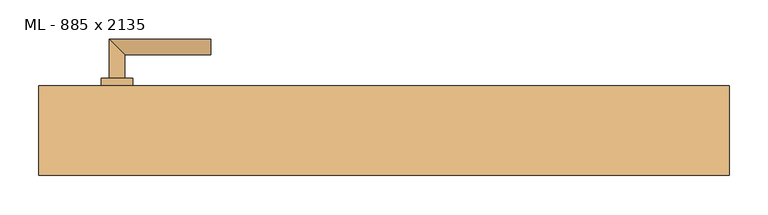
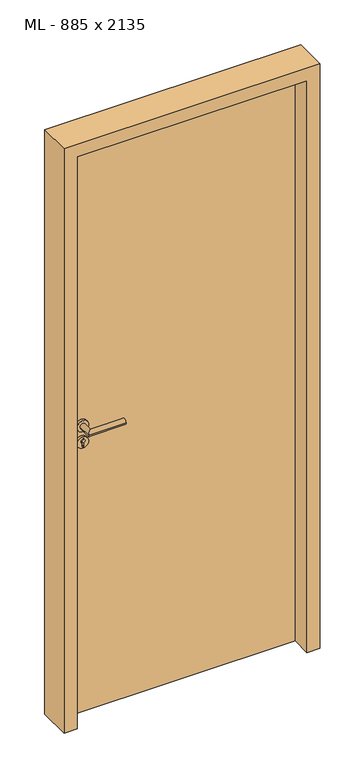
"""IFC4 building model written with IfcOpenShell, lengths in millimetres: door geometry, ML - 885 x 2135."""

from ifc_helpers import new_model, si_unit, point, frame, frame_2d, origin, origin_with_axes, place, context, project, spatial, polyline, circle_curve, ellipse_curve, trimmed, segment, composite_curve, outline, extrude, faceted_brep, source, transform, mapped, element, save
from ifc_brep_helpers import plane_surface, cylinder_surface, advanced_brep


def ml_885_x_2135_49e1aabb(model_context):
    return source(origin(), model_context, "Body", "SolidModel", [
        extrude(outline(polyline([(408.5, 57.5), (408.5, 12.5), (-408.5, 12.5), (-408.5, 57.5), (408.5, 57.5)])), origin_with_axes(), (0.0, 0.0, 1.0), 2101.0),
        advanced_brep(
        [(-332.5, 67.5, 1050.0), (-352.5, 67.5, 1050.0), (-332.5, 97.5, 1050.0), (-352.5, 117.5, 1050.0), (-222.5, 97.5, 1050.0), (-222.5, 117.5, 1050.0)],
        [
            (0, 1, circle_curve(frame((-342.5, 67.5, 1050.0), z_axis=(0.0, -1.0, 0.0), x_axis=(-1.0, 0.0, 0.0)), 10.0)),
            (1, 0, circle_curve(frame((-342.5, 67.5, 1050.0), z_axis=(0.0, -1.0, 0.0), x_axis=(-1.0, 0.0, 0.0)), 10.0)),
            (0, 2),
            (2, 3, ellipse_curve(frame((-342.5, 107.5, 1050.0), z_axis=(-0.7071067811865531, -0.7071067811865419, 0.0), x_axis=(0.707106781186542, -0.707106781186553, 0.0)), 14.1421356, 10.0)),
            (3, 1),
            (3, 2, ellipse_curve(frame((-342.5, 107.5, 1050.0), z_axis=(-0.7071067811865531, -0.7071067811865419, 0.0), x_axis=(0.707106781186542, -0.707106781186553, 0.0)), 14.1421356, 10.0)),
            (4, 5, circle_curve(frame((-222.5, 107.5, 1050.0), z_axis=(1.0, 0.0, 0.0), x_axis=(0.0, 1.0, 0.0)), 10.0)),
            (5, 4, circle_curve(frame((-222.5, 107.5, 1050.0), z_axis=(1.0, 0.0, 0.0), x_axis=(0.0, 1.0, 0.0)), 10.0)),
            (2, 4),
            (5, 3),
        ],
        [
            plane_surface(frame((-342.5, 67.5, 1050.0), z_axis=(0.0, -1.0, 0.0), x_axis=(0.0, 0.0, 1.0))),
            cylinder_surface(frame((-342.5, 67.5, 1050.0), z_axis=(0.0, -1.0, 0.0), x_axis=(-1.0, 0.0, 0.0)), 10.0),
            plane_surface(frame((-222.5, 107.5, 1050.0), z_axis=(1.0, 0.0, 0.0), x_axis=(0.0, 0.0, 1.0))),
            cylinder_surface(frame((-342.5, 107.5, 1050.0), z_axis=(-1.0, 0.0, 0.0), x_axis=(0.0, 1.0, 0.0)), 10.0),
        ],
        [
            (0, [[1, 2]]),
            (1, [[-1, 3, 4, 5]]),
            (1, [[-2, -5, 6, -3]]),
            (2, [[7, 8]]),
            (3, [[-4, 9, -8, 10]]),
            (3, [[-6, -10, -7, -9]]),
        ],
    ),
        extrude(outline(composite_curve([segment(trimmed(circle_curve(frame_2d((990.0, -342.5)), 20.0), [point((990.0, -362.5))], [point((990.0, -322.5))], False, "CARTESIAN"), True, "CONTINUOUS"), segment(trimmed(circle_curve(frame_2d((990.0, -342.5)), 20.0), [point((990.0, -322.5))], [point((990.0, -362.5))], False, "CARTESIAN"), True, "CONTINUOUS")], self_intersect=False), holes=[composite_curve([segment(polyline([(976.4601385, -344.897268), (988.4749012, -344.897268)]), True, "CONTINUOUS"), segment(trimmed(circle_curve(frame_2d((995.0361633, -342.5)), 6.9854888), [point((988.4749012, -344.897268))], [point((988.4749012, -340.102732))], True, "CARTESIAN"), True, "CONTINUOUS"), segment(polyline([(988.4749012, -340.102732), (976.4601385, -340.102732)]), True, "CONTINUOUS"), segment(trimmed(circle_curve(frame_2d((976.4601385, -342.5)), 2.397268), [point((976.4601385, -340.102732))], [point((976.4601385, -344.897268))], True, "CARTESIAN"), True, "CONTINUOUS")], self_intersect=False)]), frame((0.0, 57.5, 0.0), z_axis=(0.0, 1.0, 0.0), x_axis=(0.0, 0.0, 1.0)), (0.0, 0.0, 1.0), 10.0),
        advanced_brep(
        [(-332.5, 67.5, 1050.0), (-352.5, 67.5, 1050.0), (-332.5, 97.5, 1050.0), (-352.5, 117.5, 1050.0), (-222.5, 97.5, 1050.0), (-222.5, 117.5, 1050.0)],
        [
            (0, 1, circle_curve(frame((-342.5, 67.5, 1050.0), z_axis=(0.0, -1.0, 0.0), x_axis=(-1.0, 0.0, 0.0)), 10.0)),
            (1, 0, circle_curve(frame((-342.5, 67.5, 1050.0), z_axis=(0.0, -1.0, 0.0), x_axis=(-1.0, 0.0, 0.0)), 10.0)),
            (0, 2),
            (2, 3, ellipse_curve(frame((-342.5, 107.5, 1050.0), z_axis=(-0.7071067811865537, -0.7071067811865414, 0.0), x_axis=(0.7071067811865414, -0.7071067811865536, 0.0)), 14.1421356, 10.0)),
            (3, 1),
            (3, 2, ellipse_curve(frame((-342.5, 107.5, 1050.0), z_axis=(-0.7071067811865537, -0.7071067811865414, 0.0), x_axis=(0.7071067811865414, -0.7071067811865536, 0.0)), 14.1421356, 10.0)),
            (4, 5, circle_curve(frame((-222.5, 107.5, 1050.0), z_axis=(1.0, 0.0, 0.0), x_axis=(0.0, 1.0, 0.0)), 10.0)),
            (5, 4, circle_curve(frame((-222.5, 107.5, 1050.0), z_axis=(1.0, 0.0, 0.0), x_axis=(0.0, 1.0, 0.0)), 10.0)),
            (2, 4),
            (5, 3),
        ],
        [
            plane_surface(frame((-342.5, 67.5, 1050.0), z_axis=(0.0, -1.0, 0.0), x_axis=(0.0, 0.0, 1.0))),
            cylinder_surface(frame((-342.5, 67.5, 1050.0), z_axis=(0.0, -1.0, 0.0), x_axis=(-1.0, 0.0, 0.0)), 10.0),
            plane_surface(frame((-222.5, 107.5, 1050.0), z_axis=(1.0, 0.0, 0.0), x_axis=(0.0, 0.0, 1.0))),
            cylinder_surface(frame((-342.5, 107.5, 1050.0), z_axis=(-1.0, 0.0, 0.0), x_axis=(0.0, 1.0, 0.0)), 10.0),
        ],
        [
            (0, [[1, 2]]),
            (1, [[-1, 3, 4, 5]]),
            (1, [[-2, -5, 6, -3]]),
            (2, [[7, 8]]),
            (3, [[-4, 9, -8, 10]]),
            (3, [[-6, -10, -7, -9]]),
        ],
    ),
        extrude(outline(composite_curve([segment(trimmed(circle_curve(frame_2d((1050.0, -342.5)), 20.0), [point((1050.0, -362.5))], [point((1050.0, -322.5))], False, "CARTESIAN"), True, "CONTINUOUS"), segment(trimmed(circle_curve(frame_2d((1050.0, -342.5)), 20.0), [point((1050.0, -322.5))], [point((1050.0, -362.5))], False, "CARTESIAN"), True, "CONTINUOUS")], self_intersect=False)), frame((0.0, 57.5, 0.0), z_axis=(0.0, 1.0, 0.0), x_axis=(0.0, 0.0, 1.0)), (0.0, 0.0, 1.0), 10.0),
        advanced_brep(
        [(-332.5, 2.5, 1050.0), (-352.5, 2.5, 1050.0), (-352.5, -47.5, 1050.0), (-332.5, -27.5, 1050.0), (-222.5, -27.5, 1050.0), (-222.5, -47.5, 1050.0)],
        [
            (0, 1, circle_curve(frame((-342.5, 2.5, 1050.0), z_axis=(0.0, 1.0, 0.0), x_axis=(-1.0, 0.0, 0.0)), 10.0)),
            (1, 0, circle_curve(frame((-342.5, 2.5, 1050.0), z_axis=(0.0, 1.0, 0.0), x_axis=(-1.0, 0.0, 0.0)), 10.0)),
            (1, 2),
            (2, 3, ellipse_curve(frame((-342.5, -37.5, 1050.0), z_axis=(-0.7071067811865486, 0.7071067811865464, 0.0), x_axis=(0.7071067811865464, 0.7071067811865488, 0.0)), 14.1421356, 10.0)),
            (3, 0),
            (3, 2, ellipse_curve(frame((-342.5, -37.5, 1050.0), z_axis=(-0.7071067811865486, 0.7071067811865464, 0.0), x_axis=(0.7071067811865464, 0.7071067811865488, 0.0)), 14.1421356, 10.0)),
            (4, 5, circle_curve(frame((-222.5, -37.5, 1050.0), z_axis=(1.0, 0.0, 0.0), x_axis=(0.0, -1.0, 0.0)), 10.0)),
            (5, 4, circle_curve(frame((-222.5, -37.5, 1050.0), z_axis=(1.0, 0.0, 0.0), x_axis=(0.0, -1.0, 0.0)), 10.0)),
            (2, 5),
            (4, 3),
        ],
        [
            plane_surface(frame((-342.5, 2.5, 1050.0), z_axis=(0.0, 1.0, 0.0), x_axis=(0.0, 0.0, 1.0))),
            cylinder_surface(frame((-342.5, 2.5, 1050.0), z_axis=(0.0, 1.0, 0.0), x_axis=(-1.0, 0.0, 0.0)), 10.0),
            plane_surface(frame((-222.5, -37.5, 1050.0), z_axis=(1.0, 0.0, 0.0), x_axis=(0.0, 0.0, 1.0))),
            cylinder_surface(frame((-342.5, -37.5, 1050.0), z_axis=(-1.0, 0.0, 0.0), x_axis=(0.0, -1.0, 0.0)), 10.0),
        ],
        [
            (0, [[1, 2]]),
            (1, [[3, 4, 5, -2]]),
            (1, [[-5, 6, -3, -1]]),
            (2, [[7, 8]]),
            (3, [[9, -7, 10, -4]]),
            (3, [[-10, -8, -9, -6]]),
        ],
    ),
        extrude(outline(composite_curve([segment(trimmed(circle_curve(frame_2d((990.0, -342.5)), 20.0), [point((990.0, -362.5))], [point((990.0, -322.5))], False, "CARTESIAN"), True, "CONTINUOUS"), segment(trimmed(circle_curve(frame_2d((990.0, -342.5)), 20.0), [point((990.0, -322.5))], [point((990.0, -362.5))], False, "CARTESIAN"), True, "CONTINUOUS")], self_intersect=False), holes=[composite_curve([segment(polyline([(976.4601385, -344.897268), (988.4749012, -344.897268)]), True, "CONTINUOUS"), segment(trimmed(circle_curve(frame_2d((995.0361633, -342.5)), 6.9854888), [point((988.4749012, -344.897268))], [point((988.4749012, -340.102732))], True, "CARTESIAN"), True, "CONTINUOUS"), segment(polyline([(988.4749012, -340.102732), (976.4601385, -340.102732)]), True, "CONTINUOUS"), segment(trimmed(circle_curve(frame_2d((976.4601385, -342.5)), 2.397268), [point((976.4601385, -340.102732))], [point((976.4601385, -344.897268))], True, "CARTESIAN"), True, "CONTINUOUS")], self_intersect=False)]), frame((0.0, 2.5, 0.0), z_axis=(0.0, 1.0, 0.0), x_axis=(0.0, 0.0, 1.0)), (0.0, 0.0, 1.0), 10.0),
        advanced_brep(
        [(-332.5, 2.5, 1050.0), (-352.5, 2.5, 1050.0), (-352.5, -47.5, 1050.0), (-332.5, -27.5, 1050.0), (-222.5, -27.5, 1050.0), (-222.5, -47.5, 1050.0)],
        [
            (0, 1, circle_curve(frame((-342.5, 2.5, 1050.0), z_axis=(0.0, 1.0, 0.0), x_axis=(-1.0, 0.0, 0.0)), 10.0)),
            (1, 0, circle_curve(frame((-342.5, 2.5, 1050.0), z_axis=(0.0, 1.0, 0.0), x_axis=(-1.0, 0.0, 0.0)), 10.0)),
            (1, 2),
            (2, 3, ellipse_curve(frame((-342.5, -37.5, 1050.0), z_axis=(-0.7071067811865491, 0.7071067811865459, 0.0), x_axis=(0.7071067811865458, 0.7071067811865492, 0.0)), 14.1421356, 10.0)),
            (3, 0),
            (3, 2, ellipse_curve(frame((-342.5, -37.5, 1050.0), z_axis=(-0.7071067811865491, 0.7071067811865459, 0.0), x_axis=(0.7071067811865458, 0.7071067811865492, 0.0)), 14.1421356, 10.0)),
            (4, 5, circle_curve(frame((-222.5, -37.5, 1050.0), z_axis=(1.0, 0.0, 0.0), x_axis=(0.0, -1.0, 0.0)), 10.0)),
            (5, 4, circle_curve(frame((-222.5, -37.5, 1050.0), z_axis=(1.0, 0.0, 0.0), x_axis=(0.0, -1.0, 0.0)), 10.0)),
            (2, 5),
            (4, 3),
        ],
        [
            plane_surface(frame((-342.5, 2.5, 1050.0), z_axis=(0.0, 1.0, 0.0), x_axis=(0.0, 0.0, 1.0))),
            cylinder_surface(frame((-342.5, 2.5, 1050.0), z_axis=(0.0, 1.0, 0.0), x_axis=(-1.0, 0.0, 0.0)), 10.0),
            plane_surface(frame((-222.5, -37.5, 1050.0), z_axis=(1.0, 0.0, 0.0), x_axis=(0.0, 0.0, 1.0))),
            cylinder_surface(frame((-342.5, -37.5, 1050.0), z_axis=(-1.0, 0.0, 0.0), x_axis=(0.0, -1.0, 0.0)), 10.0),
        ],
        [
            (0, [[1, 2]]),
            (1, [[3, 4, 5, -2]]),
            (1, [[-5, 6, -3, -1]]),
            (2, [[7, 8]]),
            (3, [[9, -7, 10, -4]]),
            (3, [[-10, -8, -9, -6]]),
        ],
    ),
        extrude(outline(composite_curve([segment(trimmed(circle_curve(frame_2d((1050.0, -342.5)), 20.0), [point((1050.0, -362.5))], [point((1050.0, -322.5))], False, "CARTESIAN"), True, "CONTINUOUS"), segment(trimmed(circle_curve(frame_2d((1050.0, -342.5)), 20.0), [point((1050.0, -322.5))], [point((1050.0, -362.5))], False, "CARTESIAN"), True, "CONTINUOUS")], self_intersect=False)), frame((0.0, 2.5, 0.0), z_axis=(0.0, 1.0, 0.0), x_axis=(0.0, 0.0, 1.0)), (0.0, 0.0, 1.0), 10.0),
        faceted_brep([(-412.5, 57.5, 0.0), (-412.5, 12.5, 0.0), (-397.5, 12.5, 0.0), (-397.5, -57.5, 0.0), (-442.5, -57.5, 0.0), (-442.5, 57.5, 0.0), (-412.5, 57.5, 2105.0), (-412.5, 12.5, 2105.0), (412.5, 12.5, 2105.0), (412.5, 12.5, 0.0), (397.5, 12.5, 0.0), (397.5, 12.5, 2090.0), (-397.5, 12.5, 2090.0), (-397.5, -57.5, 2090.0), (397.5, -57.5, 2090.0), (397.5, -57.5, 0.0), (442.5, -57.5, 0.0), (442.5, -57.5, 2135.0), (-442.5, -57.5, 2135.0), (-442.5, 57.5, 2135.0), (442.5, 57.5, 2135.0), (442.5, 57.5, 0.0), (412.5, 57.5, 0.0), (412.5, 57.5, 2105.0)], [[[0, 1, 2, 3, 4, 5]], [[1, 0, 6, 7]], [[2, 1, 7, 8, 9, 10, 11, 12]], [[3, 2, 12, 13]], [[4, 3, 13, 14, 15, 16, 17, 18]], [[5, 4, 18, 19]], [[0, 5, 19, 20, 21, 22, 23, 6]], [[20, 17, 16, 21]], [[22, 21, 16, 15, 10, 9]], [[8, 23, 22, 9]], [[14, 11, 10, 15]], [[19, 18, 17, 20]], [[13, 12, 11, 14]], [[7, 6, 23, 8]]]),
    ])


if __name__ == "__main__":
    model = new_model("IFC4")
    model_context = context("Model", 3, world=origin())
    ifc_project = project(units=[si_unit("LENGTHUNIT", "METRE", prefix="MILLI")], contexts=[model_context])
    site = spatial("IfcSite", under=ifc_project)
    building = spatial("IfcBuilding", under=site)
    placement = place(None, origin())
    ml_885_x_2135_shape = ml_885_x_2135_49e1aabb(model_context)
    element("IfcDoor", 1, ObjectType="ML - 885 x 2135", at=placement, inside=building, context=model_context, shape_type="MappedRepresentation", body=[
        mapped(ml_885_x_2135_shape, transform((0.0, 0.0, 0.0), x_axis=(1.0, 0.0, 0.0), y_axis=(0.0, 1.0, 0.0), z_axis=(0.0, 0.0, 1.0))),
    ])
    save(model, "model.ifc")
